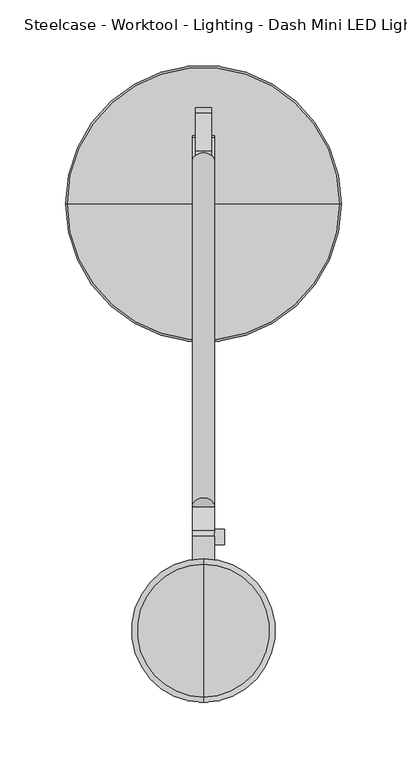
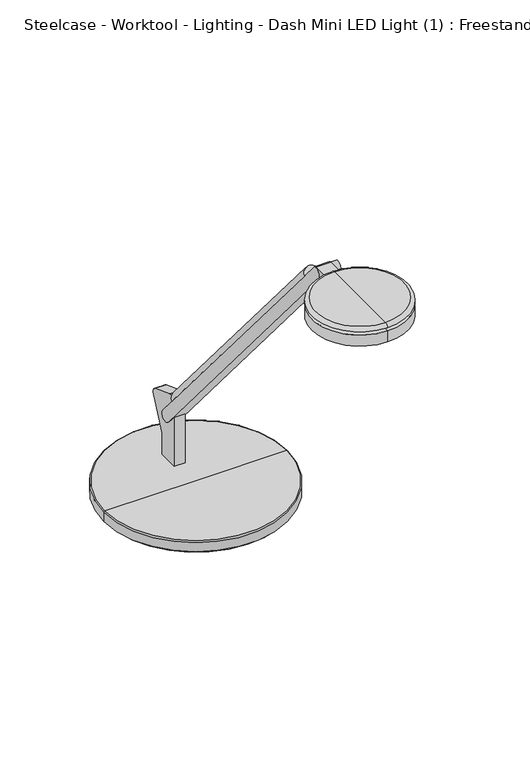
"""IFC4 building model written with IfcOpenShell, lengths in millimetres: furniture geometry, Steelcase - Worktool - Lighting - Dash Mini LED Light (1) : Freestanding."""

from ifc_helpers import new_model, si_unit, point, frame, frame_2d, origin, place, context, project, spatial, polyline, circle_curve, ellipse_curve, trimmed, segment, composite_curve, outline, extrude, source, transform, mapped, element, save
from ifc_brep_helpers import plane_surface, cylinder_surface, revolved_surface, advanced_brep


def steelcase_worktool_lighting_dash_mini_led_light_1_f6508700(model_context):
    return source(origin(), model_context, "Body", "SolidModel", [
        extrude(outline(composite_curve([segment(polyline([(8.509, -161.2861314), (-8.509, -161.2861314)]), True, "CONTINUOUS"), segment(trimmed(circle_curve(frame_2d((0.0, -161.2861314)), 8.509), [point((-8.509, -161.2861314))], [point((8.509, -161.2861314))], False, "CARTESIAN"), True, "CONTINUOUS")], self_intersect=False)), frame((0.0, 59.9275977, 934.0367561), z_axis=(0.0, -0.6453157173859881, 0.7639159802586981), x_axis=(1.0, 0.0, 0.0)), (0.0, 0.0, 1.0), 407.9752226),
        extrude(outline(composite_curve([segment(polyline([(1165.3599936, -383.6426805), (1162.4056, -381.1636499), (1162.4056, -366.3659959), (1151.5508717, -366.3659959), (1151.5508717, -352.0202702), (1154.3820582, -354.4102311)]), True, "CONTINUOUS"), segment(trimmed(circle_curve(frame_2d((1158.6105852, -349.1496158)), 6.7494084), [point((1154.3820582, -354.4102311))], [point((1165.3599936, -349.1496158))], True, "CARTESIAN"), True, "CONTINUOUS"), segment(polyline([(1165.3599936, -349.1496158), (1165.3599936, -383.6426805)]), True, "CONTINUOUS")], self_intersect=False)), frame((8.509, 0.0, 0.0), z_axis=(-1.0, 0.0, 0.0), x_axis=(0.0, 0.0, 1.0)), (0.0, 0.0, 1.0), 17.018),
        extrude(outline(composite_curve([segment(trimmed(circle_curve(frame_2d((-349.5772033, 1158.8861373)), 5.8982953), [point((-343.678908, 1158.8861373))], [point((-355.4754986, 1158.8861373))], False, "CARTESIAN"), True, "CONTINUOUS"), segment(trimmed(circle_curve(frame_2d((-349.5772033, 1158.8861373)), 5.8982953), [point((-355.4754986, 1158.8861373))], [point((-343.678908, 1158.8861373))], False, "CARTESIAN"), True, "CONTINUOUS")], self_intersect=False)), frame((8.509, 0.0, 0.0), z_axis=(1.0, 0.0, 0.0), x_axis=(0.0, 1.0, 0.0)), (0.0, 0.0, 1.0), 7.5184),
        extrude(outline(composite_curve([segment(trimmed(circle_curve(frame_2d((-57.2760289, 827.3462287)), 6.4968459), [point((-63.6335559, 826.008))], [point((-54.9477675, 833.4115568))], False, "CARTESIAN"), True, "CONTINUOUS"), segment(polyline([(-54.9477675, 833.4115568), (-26.3337634, 822.4276697)]), True, "CONTINUOUS"), segment(trimmed(circle_curve(frame_2d((-28.6602337, 816.3670075)), 6.491848), [point((-26.3337634, 822.4276697))], [point((-24.0322898, 811.8144009))], False, "CARTESIAN"), True, "CONTINUOUS"), segment(polyline([(-24.0322898, 811.8144009), (-39.5289559, 777.008319), (-39.5289559, 750.951), (-63.6335559, 750.951), (-63.6335559, 826.008)]), True, "CONTINUOUS")], self_intersect=False)), frame((-6.223, 0.0, 0.0), z_axis=(1.0, 0.0, 0.0), x_axis=(0.0, 1.0, 0.0)), (0.0, 0.0, 1.0), 12.446),
        advanced_brep(
        [(0.0, -95.563788, 750.9476331), (103.8479, -95.563788, 750.9476331), (-103.8479, -95.563788, 750.9476331), (-93.0792702, -95.563788, 731.9816908), (93.0792702, -95.563788, 731.9816908), (0.0, -95.563788, 731.9816908), (-93.0792702, -95.563788, 732.8852565), (93.0792702, -95.563788, 732.8852565), (-95.8939876, -95.563788, 732.8852565), (95.8939876, -95.563788, 732.8852565), (-102.4300117, -95.563788, 735.7952819), (102.4300117, -95.563788, 735.7952819), (-102.4300117, -95.563788, 738.6286331), (102.4300117, -95.563788, 738.6286331), (-105.3308643, -95.563788, 738.6286331), (105.3308643, -95.563788, 738.6286331), (-105.3308643, -95.563788, 749.4646687), (105.3308643, -95.563788, 749.4646687)],
        [
            (0, 1),
            (1, 2, circle_curve(frame((0.0, -95.563788, 750.9476331), z_axis=(0.0, 0.0, 1.0), x_axis=(1.0, 0.0, 0.0)), 103.8479)),
            (2, 0),
            (2, 1, circle_curve(frame((0.0, -95.563788, 750.9476331), z_axis=(0.0, 0.0, 1.0), x_axis=(1.0, 0.0, 0.0)), 103.8479)),
            (3, 4, circle_curve(frame((0.0, -95.563788, 731.9816908), z_axis=(0.0, 0.0, -1.0), x_axis=(1.0, 0.0, 0.0)), 93.0792702)),
            (4, 5),
            (5, 3),
            (4, 3, circle_curve(frame((0.0, -95.563788, 731.9816908), z_axis=(0.0, 0.0, -1.0), x_axis=(1.0, 0.0, 0.0)), 93.0792702)),
            (6, 7, circle_curve(frame((0.0, -95.563788, 732.8852565), z_axis=(0.0, 0.0, -1.0), x_axis=(1.0, 0.0, 0.0)), 93.0792702)),
            (7, 4),
            (3, 6),
            (7, 6, circle_curve(frame((0.0, -95.563788, 732.8852565), z_axis=(0.0, 0.0, -1.0), x_axis=(1.0, 0.0, 0.0)), 93.0792702)),
            (8, 9, circle_curve(frame((0.0, -95.563788, 732.8852565), z_axis=(0.0, 0.0, -1.0), x_axis=(1.0, 0.0, 0.0)), 95.8939876)),
            (9, 7),
            (6, 8),
            (9, 8, circle_curve(frame((0.0, -95.563788, 732.8852565), z_axis=(0.0, 0.0, -1.0), x_axis=(1.0, 0.0, 0.0)), 95.8939876)),
            (10, 11, circle_curve(frame((0.0, -95.563788, 735.7952819), z_axis=(0.0, 0.0, -1.0), x_axis=(1.0, 0.0, 0.0)), 102.4300117)),
            (11, 9),
            (8, 10),
            (11, 10, circle_curve(frame((0.0, -95.563788, 735.7952819), z_axis=(0.0, 0.0, -1.0), x_axis=(1.0, 0.0, 0.0)), 102.4300117)),
            (12, 13, circle_curve(frame((0.0, -95.563788, 738.6286331), z_axis=(0.0, 0.0, -1.0), x_axis=(1.0, 0.0, 0.0)), 102.4300117)),
            (13, 11),
            (10, 12),
            (13, 12, circle_curve(frame((0.0, -95.563788, 738.6286331), z_axis=(0.0, 0.0, -1.0), x_axis=(1.0, 0.0, 0.0)), 102.4300117)),
            (14, 15, circle_curve(frame((0.0, -95.563788, 738.6286331), z_axis=(0.0, 0.0, -1.0), x_axis=(1.0, 0.0, 0.0)), 105.3308643)),
            (15, 13),
            (12, 14),
            (15, 14, circle_curve(frame((0.0, -95.563788, 738.6286331), z_axis=(0.0, 0.0, -1.0), x_axis=(1.0, 0.0, 0.0)), 105.3308643)),
            (16, 17, circle_curve(frame((0.0, -95.563788, 749.4646687), z_axis=(0.0, 0.0, -1.0), x_axis=(1.0, 0.0, 0.0)), 105.3308643)),
            (17, 15),
            (14, 16),
            (17, 16, circle_curve(frame((0.0, -95.563788, 749.4646687), z_axis=(0.0, 0.0, -1.0), x_axis=(1.0, 0.0, 0.0)), 105.3308643)),
            (1, 17, circle_curve(frame((103.8479, -95.563788, 749.4646687), z_axis=(0.0, 1.0, 0.0), x_axis=(1.0, 0.0, 0.0)), 1.4829643)),
            (16, 2, circle_curve(frame((-103.8479, -95.563788, 749.4646687), z_axis=(0.0, 1.0, 0.0), x_axis=(-1.0, 0.0, 0.0)), 1.4829643)),
        ],
        [
            plane_surface(frame((0.0, -95.563788, 750.9476331), z_axis=(0.0, 0.0, 1.0), x_axis=(1.0, 0.0, 0.0))),
            plane_surface(frame((0.0, -95.563788, 731.9816908), z_axis=(0.0, 0.0, -1.0), x_axis=(1.0, 0.0, 0.0))),
            cylinder_surface(frame((0.0, -95.563788, 757.2976331), z_axis=(0.0, 0.0, 1.0), x_axis=(1.0, 0.0, 0.0)), 93.0792702),
            plane_surface(frame((0.0, -95.563788, 732.8852565), z_axis=(0.0, 0.0, -1.0), x_axis=(1.0, 0.0, 0.0))),
            revolved_surface(polyline([(95.8939876, -95.563788, 732.8852565), (102.4300117, -95.563788, 735.7952819)]), (0.0, -95.563788, 757.2976331), (0.0, 0.0, 1.0)),
            cylinder_surface(frame((0.0, -95.563788, 757.2976331), z_axis=(0.0, 0.0, 1.0), x_axis=(1.0, 0.0, 0.0)), 102.4300117),
            plane_surface(frame((0.0, -95.563788, 738.6286331), z_axis=(0.0, 0.0, -1.0), x_axis=(1.0, 0.0, 0.0))),
            cylinder_surface(frame((0.0, -95.563788, 757.2976331), z_axis=(0.0, 0.0, 1.0), x_axis=(1.0, 0.0, 0.0)), 105.3308643),
            revolved_surface(trimmed(ellipse_curve(frame((103.8479, -95.563788, 749.4646687), z_axis=(0.0, -1.0, 0.0), x_axis=(1.0, 0.0, 0.0)), 1.4829643, 1.4829643), [point((105.3308643, -95.563788, 749.4646687))], [point((103.8479, -95.563788, 750.9476331))], True, "CARTESIAN"), (0.0, -95.563788, 757.2976331), (0.0, 0.0, 1.0)),
        ],
        [
            (0, [[1, 2, 3]]),
            (0, [[-3, 4, -1]]),
            (1, [[5, 6, 7]]),
            (1, [[8, -7, -6]]),
            (2, [[9, 10, -5, 11]]),
            (2, [[12, -11, -8, -10]]),
            (3, [[13, 14, -9, 15]]),
            (3, [[16, -15, -12, -14]]),
            (4, [[17, 18, -13, 19]]),
            (4, [[20, -19, -16, -18]]),
            (5, [[21, 22, -17, 23]]),
            (5, [[24, -23, -20, -22]]),
            (6, [[25, 26, -21, 27]]),
            (6, [[28, -27, -24, -26]]),
            (7, [[29, 30, -25, 31]]),
            (7, [[32, -31, -28, -30]]),
            (8, [[-2, 33, -29, 34]]),
            (8, [[-4, -34, -32, -33]]),
        ],
    ),
        advanced_brep(
        [(0.0, -366.3659959, 1166.2156), (0.0, -475.8399959, 1166.2156), (0.0, -471.7839412, 1170.0256), (0.0, -370.4220506, 1170.0256), (0.0, -384.354515, 1166.2156), (0.0, -457.8514768, 1166.2156), (0.0, -381.6867242, 1162.4056), (0.0, -460.5192676, 1162.4056), (0.0, -366.3659959, 1162.4056), (0.0, -475.8399959, 1162.4056), (0.0, -366.3659959, 1149.0706), (0.0, -475.8399959, 1149.0706), (0.0, -421.1029959, 1149.0706), (0.0, -421.1029959, 1170.0256)],
        [
            (0, 1, circle_curve(frame((0.0, -421.1029959, 1166.2156), z_axis=(0.0, 0.0, 1.0), x_axis=(0.0, -1.0, 0.0)), 54.737)),
            (1, 2, circle_curve(frame((0.0, -471.7839412, 1165.9616), z_axis=(-1.0, 0.0, 0.0), x_axis=(0.0, -1.0, 0.0)), 4.064)),
            (2, 3, circle_curve(frame((0.0, -421.1029959, 1170.0256), z_axis=(0.0, 0.0, -1.0), x_axis=(0.0, -1.0, 0.0)), 50.6809453)),
            (3, 0, circle_curve(frame((0.0, -370.4220506, 1165.9616), z_axis=(-1.0, 0.0, 0.0), x_axis=(0.0, 1.0, 0.0)), 4.064)),
            (1, 0, circle_curve(frame((0.0, -421.1029959, 1166.2156), z_axis=(0.0, 0.0, 1.0), x_axis=(0.0, -1.0, 0.0)), 54.737)),
            (3, 2, circle_curve(frame((0.0, -421.1029959, 1170.0256), z_axis=(0.0, 0.0, -1.0), x_axis=(0.0, -1.0, 0.0)), 50.6809453)),
            (4, 5, circle_curve(frame((0.0, -421.1029959, 1166.2156), z_axis=(0.0, 0.0, 1.0), x_axis=(0.0, -1.0, 0.0)), 36.7484809)),
            (5, 1),
            (0, 4),
            (5, 4, circle_curve(frame((0.0, -421.1029959, 1166.2156), z_axis=(0.0, 0.0, 1.0), x_axis=(0.0, -1.0, 0.0)), 36.7484809)),
            (6, 7, circle_curve(frame((0.0, -421.1029959, 1162.4056), z_axis=(0.0, 0.0, 1.0), x_axis=(0.0, -1.0, 0.0)), 39.4162717)),
            (7, 5),
            (4, 6),
            (7, 6, circle_curve(frame((0.0, -421.1029959, 1162.4056), z_axis=(0.0, 0.0, 1.0), x_axis=(0.0, -1.0, 0.0)), 39.4162717)),
            (8, 9, circle_curve(frame((0.0, -421.1029959, 1162.4056), z_axis=(0.0, 0.0, 1.0), x_axis=(0.0, -1.0, 0.0)), 54.737)),
            (9, 7),
            (6, 8),
            (9, 8, circle_curve(frame((0.0, -421.1029959, 1162.4056), z_axis=(0.0, 0.0, 1.0), x_axis=(0.0, -1.0, 0.0)), 54.737)),
            (10, 11, circle_curve(frame((0.0, -421.1029959, 1149.0706), z_axis=(0.0, 0.0, 1.0), x_axis=(0.0, -1.0, 0.0)), 54.737)),
            (11, 9),
            (8, 10),
            (11, 10, circle_curve(frame((0.0, -421.1029959, 1149.0706), z_axis=(0.0, 0.0, 1.0), x_axis=(0.0, -1.0, 0.0)), 54.737)),
            (12, 11),
            (10, 12),
            (2, 13),
            (13, 3),
        ],
        [
            revolved_surface(trimmed(ellipse_curve(frame((0.0, -471.7839412, 1165.9616), z_axis=(1.0, 0.0, 0.0), x_axis=(0.0, -1.0, 0.0)), 4.064, 4.064), [point((0.0, -471.7839412, 1170.0256))], [point((0.0, -475.8399959, 1166.2156))], True, "CARTESIAN"), (0.0, -421.1029959, 1170.0256), (0.0, 0.0, -1.0)),
            plane_surface(frame((0.0, -421.1029959, 1166.2156), z_axis=(0.0, 0.0, -1.0), x_axis=(0.0, -1.0, 0.0))),
            revolved_surface(polyline([(0.0, -457.8514768, 1166.2156), (0.0, -460.5192676, 1162.4056)]), (0.0, -421.1029959, 1170.0256), (0.0, 0.0, -1.0)),
            plane_surface(frame((0.0, -421.1029959, 1162.4056), z_axis=(0.0, 0.0, 1.0), x_axis=(0.0, -1.0, 0.0))),
            cylinder_surface(frame((0.0, -421.1029959, 1170.0256), z_axis=(0.0, 0.0, -1.0), x_axis=(0.0, -1.0, 0.0)), 54.737),
            plane_surface(frame((0.0, -421.1029959, 1149.0706), z_axis=(0.0, 0.0, -1.0), x_axis=(0.0, -1.0, 0.0))),
            plane_surface(frame((0.0, -421.1029959, 1170.0256), z_axis=(0.0, 0.0, 1.0), x_axis=(0.0, -1.0, 0.0))),
        ],
        [
            (0, [[1, 2, 3, 4]]),
            (0, [[5, -4, 6, -2]]),
            (1, [[7, 8, -1, 9]]),
            (1, [[10, -9, -5, -8]]),
            (2, [[11, 12, -7, 13]]),
            (2, [[14, -13, -10, -12]]),
            (3, [[15, 16, -11, 17]]),
            (3, [[18, -17, -14, -16]]),
            (4, [[19, 20, -15, 21]]),
            (4, [[22, -21, -18, -20]]),
            (5, [[23, -19, 24]]),
            (5, [[-24, -22, -23]]),
            (6, [[-3, 25, 26]]),
            (6, [[-6, -26, -25]]),
        ],
    ),
        extrude(outline(composite_curve([segment(trimmed(circle_curve(frame_2d((-50.3508694, 804.4209036)), 6.6004988), [point((-45.3086429, 808.6803092))], [point((-55.394567, 800.16324))], False, "CARTESIAN"), True, "CONTINUOUS"), segment(polyline([(-55.394567, 800.16324), (-354.4102311, 1154.3820582)]), True, "CONTINUOUS"), segment(trimmed(circle_curve(frame_2d((-349.4277131, 1158.5880769)), 6.5204355), [point((-354.4102311, 1154.3820582))], [point((-344.4466482, 1162.7958164))], False, "CARTESIAN"), True, "CONTINUOUS"), segment(polyline([(-344.4466482, 1162.7958164), (-45.3086429, 808.6803092)]), True, "CONTINUOUS")], self_intersect=False)), frame((-8.509, 0.0, 0.0), z_axis=(1.0, 0.0, 0.0), x_axis=(0.0, 1.0, 0.0)), (0.0, 0.0, 1.0), 17.018),
    ])


if __name__ == "__main__":
    model = new_model("IFC4")
    model_context = context("Model", 3, world=origin())
    ifc_project = project(units=[si_unit("LENGTHUNIT", "METRE", prefix="MILLI")], contexts=[model_context])
    site = spatial("IfcSite", under=ifc_project)
    building = spatial("IfcBuilding", under=site)
    placement = place(None, origin())
    steelcase_worktool_lighting_dash_mini_led_light_1_shape = steelcase_worktool_lighting_dash_mini_led_light_1_f6508700(model_context)
    element("IfcFurniture", 1, ObjectType="Steelcase - Worktool - Lighting - Dash Mini LED Light (1) : Freestanding", at=placement, inside=building, context=model_context, shape_type="MappedRepresentation", body=[
        mapped(steelcase_worktool_lighting_dash_mini_led_light_1_shape, transform((0.0, 0.0, 0.0), x_axis=(1.0, 0.0, 0.0), y_axis=(0.0, 1.0, 0.0), z_axis=(0.0, 0.0, 1.0))),
    ])
    save(model, "model.ifc")
